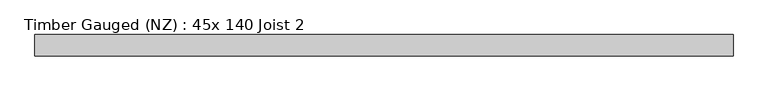
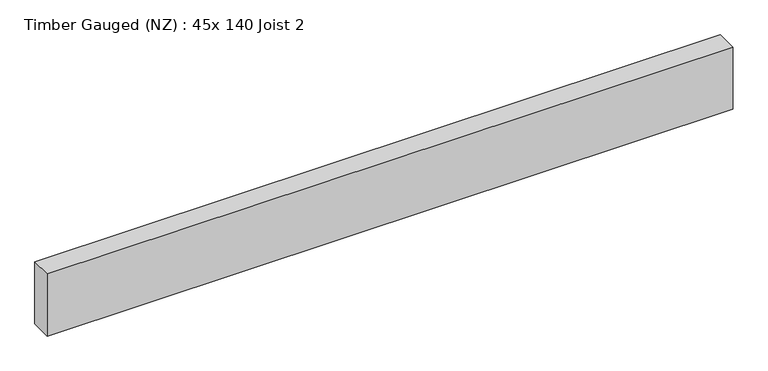
"""IFC4 building model written with IfcOpenShell, lengths in millimetres: beam geometry, Timber Gauged (NZ) : 45x 140 Joist 2."""

from ifc_helpers import new_model, si_unit, frame, origin, place, context, project, spatial, polyline, outline, extrude, source, transform, mapped, element, save


def timber_gauged_nz_45x_140_joist_2_506650fd(model_context):
    return source(origin(), model_context, "Body", "SweptSolid", [
        extrude(outline(polyline([(696.2950367, -22.5), (-761.6841807, -22.5), (-761.6841807, 22.5), (696.2950367, 22.5), (696.2950367, -22.5)])), frame((0.0, 0.0, -70.0), z_axis=(0.0, 0.0, 1.0), x_axis=(1.0, 0.0, 0.0)), (0.0, 0.0, 1.0), 140.0),
    ])


if __name__ == "__main__":
    model = new_model("IFC4")
    model_context = context("Model", 3, world=origin())
    ifc_project = project(units=[si_unit("LENGTHUNIT", "METRE", prefix="MILLI")], contexts=[model_context])
    site = spatial("IfcSite", under=ifc_project)
    building = spatial("IfcBuilding", under=site)
    placement = place(None, origin())
    timber_gauged_nz_45x_140_joist_2_shape = timber_gauged_nz_45x_140_joist_2_506650fd(model_context)
    element("IfcBeam", 1, ObjectType="Timber Gauged (NZ) : 45x 140 Joist 2", at=placement, inside=building, context=model_context, shape_type="MappedRepresentation", body=[
        mapped(timber_gauged_nz_45x_140_joist_2_shape, transform((0.0, 0.0, 0.0), x_axis=(1.0, 0.0, 0.0), y_axis=(0.0, 1.0, 0.0), z_axis=(0.0, 0.0, 1.0))),
    ])
    save(model, "model.ifc")
